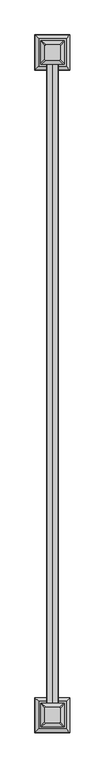
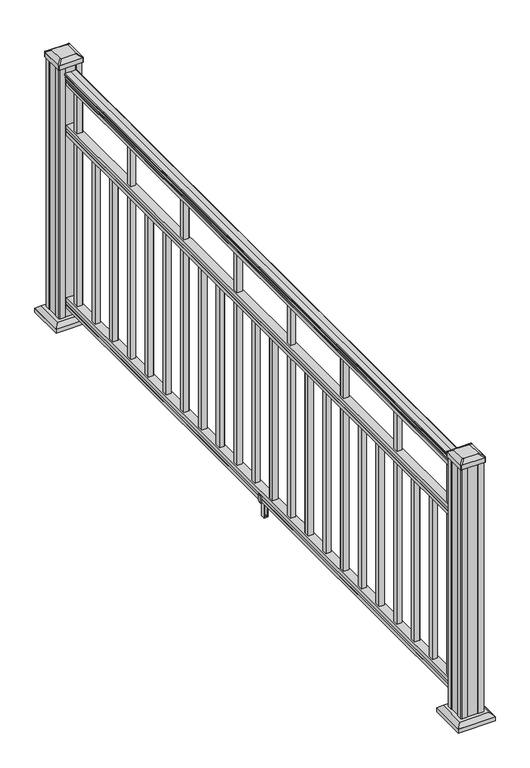
"""IFC4 building model written with IfcOpenShell, lengths in millimetres: railing geometry."""

from ifc_helpers import new_model, si_unit, point, frame, frame_2d, origin, origin_with_axes, place, context, project, spatial, polyline, circle_curve, trimmed, segment, composite_curve, outline, extrude, faceted_brep, source, transform, mapped, element, save
from ifc_brep_helpers import plane_surface, extruded_surface, advanced_brep


def railing_7993a294(model_context):
    return source(origin(), model_context, "Body", "SolidModel", [
        extrude(outline(composite_curve([segment(polyline([(938.4043297, 817.3789699), (940.292412, 817.3789699)]), True, "CONTINUOUS"), segment(trimmed(circle_curve(frame_2d((946.0506383, 811.0642167)), 8.545951), [point((940.292412, 817.3789699))], [point((941.8546695, 818.5091562))], False, "CARTESIAN"), True, "CONTINUOUS"), segment(trimmed(circle_curve(frame_2d((945.4636577, 811.5012796)), 7.882584), [point((941.8546695, 818.5091562))], [point((949.0726458, 818.5091562))], False, "CARTESIAN"), True, "CONTINUOUS"), segment(trimmed(circle_curve(frame_2d((951.3112527, 822.0146037)), 4.1592695), [point((949.0726458, 818.5091562))], [point((951.5060812, 817.8598998))], True, "CARTESIAN"), True, "CONTINUOUS"), segment(trimmed(circle_curve(frame_2d((951.2508864, 823.3019103)), 5.4479907), [point((951.5060812, 817.8598998))], [point((955.8362083, 820.3598998))], True, "CARTESIAN"), True, "CONTINUOUS"), segment(trimmed(circle_curve(frame_2d((955.833395, 822.0687519)), 1.7088543), [point((955.8362083, 820.3598998))], [point((957.5157972, 821.7692423))], True, "CARTESIAN"), True, "CONTINUOUS"), segment(trimmed(circle_curve(frame_2d((958.6205318, 820.4518518)), 1.7192895), [point((957.5157972, 821.7692423))], [point((958.6205318, 822.1711413))], False, "CARTESIAN"), True, "CONTINUOUS"), segment(polyline([(958.6205318, 822.1711413), (959.9608158, 822.1711412)]), True, "CONTINUOUS"), segment(trimmed(circle_curve(frame_2d((959.9608158, 820.617694)), 1.5534472), [point((959.9608158, 822.1711412))], [point((961.514263, 820.617694))], False, "CARTESIAN"), True, "CONTINUOUS"), segment(polyline([(961.514263, 820.617694), (961.514263, 799.9461412), (961.514263, 779.2745884)]), True, "CONTINUOUS"), segment(trimmed(circle_curve(frame_2d((959.9608158, 779.2745884)), 1.5534472), [point((961.514263, 779.2745884))], [point((959.9608158, 777.7211412))], False, "CARTESIAN"), True, "CONTINUOUS"), segment(polyline([(959.9608158, 777.7211412), (958.6205318, 777.7211412)]), True, "CONTINUOUS"), segment(trimmed(circle_curve(frame_2d((958.6205318, 779.4404306)), 1.7192895), [point((958.6205318, 777.7211412))], [point((957.5157972, 778.1230401))], False, "CARTESIAN"), True, "CONTINUOUS"), segment(trimmed(circle_curve(frame_2d((955.833395, 777.8235305)), 1.7088543), [point((957.5157972, 778.1230401))], [point((955.8362083, 779.5323826))], True, "CARTESIAN"), True, "CONTINUOUS"), segment(trimmed(circle_curve(frame_2d((951.2508864, 776.5903721)), 5.4479907), [point((955.8362083, 779.5323826))], [point((951.5060812, 782.0323826))], True, "CARTESIAN"), True, "CONTINUOUS"), segment(trimmed(circle_curve(frame_2d((951.3112527, 777.8776786)), 4.1592695), [point((951.5060812, 782.0323826))], [point((949.0726458, 781.3831262))], True, "CARTESIAN"), True, "CONTINUOUS"), segment(trimmed(circle_curve(frame_2d((945.4636577, 788.3910028)), 7.882584), [point((949.0726458, 781.3831262))], [point((941.8546695, 781.3831262))], False, "CARTESIAN"), True, "CONTINUOUS"), segment(trimmed(circle_curve(frame_2d((946.0506383, 788.8280657)), 8.545951), [point((941.8546695, 781.3831262))], [point((940.292412, 782.5133125))], False, "CARTESIAN"), True, "CONTINUOUS"), segment(polyline([(940.292412, 782.5133125), (938.4043297, 782.5133125)]), True, "CONTINUOUS"), segment(trimmed(circle_curve(frame_2d((938.4043297, 783.8002268)), 1.2869144), [point((938.4043297, 782.5133125))], [point((938.4043297, 785.0871412))], False, "CARTESIAN"), True, "CONTINUOUS"), segment(polyline([(938.4043297, 785.0871412), (927.9048283, 785.0871412), (926.8888283, 784.0711412), (914.4, 784.0711412), (914.4, 815.8211412), (926.731013, 815.8211412), (927.747013, 814.8051412), (938.4043297, 814.8051412)]), True, "CONTINUOUS"), segment(trimmed(circle_curve(frame_2d((938.4043297, 816.0920556)), 1.2869144), [point((938.4043297, 814.8051412))], [point((938.4043297, 817.3789699))], False, "CARTESIAN"), True, "CONTINUOUS")], self_intersect=False)), frame((0.0, -110257.8786705, 0.0), z_axis=(0.0, 1.0, 0.0), x_axis=(0.0, 0.0, 1.0)), (0.0, 0.0, 1.0), 2438.4),
        extrude(outline(polyline([(736.4541976, 815.8586281), (737.7546183, 814.8426281), (748.1141717, 814.8426281), (749.4624492, 815.8586281), (761.9958781, 815.8586281), (761.9958781, 784.1086281), (749.4458024, 784.1086281), (748.0975248, 785.1246281), (737.7858283, 785.1246281), (736.4375508, 784.1086281), (723.9, 784.1086281), (723.9, 815.8586281), (736.4541976, 815.8586281)])), frame((0.0, -110257.8786705, 0.0), z_axis=(0.0, 1.0, 0.0), x_axis=(0.0, 0.0, 1.0)), (0.0, 0.0, 1.0), 2438.4),
        extrude(outline(polyline([(76.0541976, 815.8586281), (77.3546183, 814.8426281), (87.7141717, 814.8426281), (89.0624492, 815.8586281), (101.5958781, 815.8586281), (101.5958781, 784.1086281), (89.0458024, 784.1086281), (87.6975248, 785.1246281), (77.3858283, 785.1246281), (76.0375508, 784.1086281), (63.5, 784.1086281), (63.5, 815.8586281), (76.0541976, 815.8586281)])), frame((0.0, -110257.8786705, 0.0), z_axis=(0.0, 1.0, 0.0), x_axis=(0.0, 0.0, 1.0)), (0.0, 0.0, 1.0), 2438.4),
        extrude(outline(polyline([(809.4711412, -107878.7876705), (790.4211412, -107878.7876705), (790.4211412, -107859.7376705), (809.4711412, -107859.7376705), (809.4711412, -107878.7876705)]), holes=[polyline([(809.0742662, -107878.3907955), (809.0742662, -107860.1345455), (790.8180162, -107860.1345455), (790.8180162, -107878.3907955), (809.0742662, -107878.3907955)])]), frame((0.0, 0.0, 101.5958781), z_axis=(0.0, 0.0, 1.0), x_axis=(1.0, 0.0, 0.0)), (0.0, 0.0, 1.0), 812.8041219),
        extrude(outline(polyline([(809.4711412, -107990.0396705), (790.4211412, -107990.0396705), (790.4211412, -107970.9896705), (809.4711412, -107970.9896705), (809.4711412, -107990.0396705)]), holes=[polyline([(809.0742662, -107989.6427955), (809.0742662, -107971.3865455), (790.8180162, -107971.3865455), (790.8180162, -107989.6427955), (809.0742662, -107989.6427955)])]), frame((0.0, 0.0, 101.5958781), z_axis=(0.0, 0.0, 1.0), x_axis=(1.0, 0.0, 0.0)), (0.0, 0.0, 1.0), 622.3041219),
        extrude(outline(polyline([(809.4711412, -108101.2916705), (790.4211412, -108101.2916705), (790.4211412, -108082.2416705), (809.4711412, -108082.2416705), (809.4711412, -108101.2916705)]), holes=[polyline([(809.0742662, -108100.8947955), (809.0742662, -108082.6385455), (790.8180162, -108082.6385455), (790.8180162, -108100.8947955), (809.0742662, -108100.8947955)])]), frame((0.0, 0.0, 101.5958781), z_axis=(0.0, 0.0, 1.0), x_axis=(1.0, 0.0, 0.0)), (0.0, 0.0, 1.0), 622.3041219),
        extrude(outline(polyline([(809.4711412, -108212.5436705), (790.4211412, -108212.5436705), (790.4211412, -108193.4936705), (809.4711412, -108193.4936705), (809.4711412, -108212.5436705)]), holes=[polyline([(809.0742662, -108212.1467955), (809.0742662, -108193.8905455), (790.8180162, -108193.8905455), (790.8180162, -108212.1467955), (809.0742662, -108212.1467955)])]), frame((0.0, 0.0, 101.5958781), z_axis=(0.0, 0.0, 1.0), x_axis=(1.0, 0.0, 0.0)), (0.0, 0.0, 1.0), 812.8041219),
        extrude(outline(polyline([(809.4711412, -108323.7956705), (790.4211412, -108323.7956705), (790.4211412, -108304.7456705), (809.4711412, -108304.7456705), (809.4711412, -108323.7956705)]), holes=[polyline([(809.0742662, -108323.3987955), (809.0742662, -108305.1425455), (790.8180162, -108305.1425455), (790.8180162, -108323.3987955), (809.0742662, -108323.3987955)])]), frame((0.0, 0.0, 101.5958781), z_axis=(0.0, 0.0, 1.0), x_axis=(1.0, 0.0, 0.0)), (0.0, 0.0, 1.0), 622.3041219),
        extrude(outline(polyline([(809.4711412, -108435.0476705), (790.4211412, -108435.0476705), (790.4211412, -108415.9976705), (809.4711412, -108415.9976705), (809.4711412, -108435.0476705)]), holes=[polyline([(809.0742662, -108434.6507955), (809.0742662, -108416.3945455), (790.8180162, -108416.3945455), (790.8180162, -108434.6507955), (809.0742662, -108434.6507955)])]), frame((0.0, 0.0, 101.5958781), z_axis=(0.0, 0.0, 1.0), x_axis=(1.0, 0.0, 0.0)), (0.0, 0.0, 1.0), 622.3041219),
        extrude(outline(polyline([(809.4711412, -108546.2996705), (790.4211412, -108546.2996705), (790.4211412, -108527.2496705), (809.4711412, -108527.2496705), (809.4711412, -108546.2996705)]), holes=[polyline([(809.0742662, -108545.9027955), (809.0742662, -108527.6465455), (790.8180162, -108527.6465455), (790.8180162, -108545.9027955), (809.0742662, -108545.9027955)])]), frame((0.0, 0.0, 101.5958781), z_axis=(0.0, 0.0, 1.0), x_axis=(1.0, 0.0, 0.0)), (0.0, 0.0, 1.0), 812.8041219),
        extrude(outline(polyline([(809.4711412, -108657.5516705), (790.4211412, -108657.5516705), (790.4211412, -108638.5016705), (809.4711412, -108638.5016705), (809.4711412, -108657.5516705)]), holes=[polyline([(809.0742662, -108657.1547955), (809.0742662, -108638.8985455), (790.8180162, -108638.8985455), (790.8180162, -108657.1547955), (809.0742662, -108657.1547955)])]), frame((0.0, 0.0, 101.5958781), z_axis=(0.0, 0.0, 1.0), x_axis=(1.0, 0.0, 0.0)), (0.0, 0.0, 1.0), 622.3041219),
        extrude(outline(polyline([(809.4711412, -108768.8036705), (790.4211412, -108768.8036705), (790.4211412, -108749.7536705), (809.4711412, -108749.7536705), (809.4711412, -108768.8036705)]), holes=[polyline([(809.0742662, -108768.4067955), (809.0742662, -108750.1505455), (790.8180162, -108750.1505455), (790.8180162, -108768.4067955), (809.0742662, -108768.4067955)])]), frame((0.0, 0.0, 101.5958781), z_axis=(0.0, 0.0, 1.0), x_axis=(1.0, 0.0, 0.0)), (0.0, 0.0, 1.0), 622.3041219),
        extrude(outline(polyline([(809.4711412, -108880.0556705), (790.4211412, -108880.0556705), (790.4211412, -108861.0056705), (809.4711412, -108861.0056705), (809.4711412, -108880.0556705)]), holes=[polyline([(809.0742662, -108879.6587955), (809.0742662, -108861.4025455), (790.8180162, -108861.4025455), (790.8180162, -108879.6587955), (809.0742662, -108879.6587955)])]), frame((0.0, 0.0, 101.5958781), z_axis=(0.0, 0.0, 1.0), x_axis=(1.0, 0.0, 0.0)), (0.0, 0.0, 1.0), 812.8041219),
        extrude(outline(polyline([(809.4711412, -108991.3076705), (790.4211412, -108991.3076705), (790.4211412, -108972.2576705), (809.4711412, -108972.2576705), (809.4711412, -108991.3076705)]), holes=[polyline([(809.0742662, -108990.9107955), (809.0742662, -108972.6545455), (790.8180162, -108972.6545455), (790.8180162, -108990.9107955), (809.0742662, -108990.9107955)])]), frame((0.0, 0.0, 101.5958781), z_axis=(0.0, 0.0, 1.0), x_axis=(1.0, 0.0, 0.0)), (0.0, 0.0, 1.0), 622.3041219),
        extrude(outline(polyline([(88.7203979, 781.7851424), (87.9583969, 781.0231413), (61.4680023, 781.0231413), (60.7060013, 781.7851424), (60.7060013, 791.8181414), (59.9440012, 792.5801415), (0.7620001, 792.5801415), (0.0, 793.3421416), (0.0, 806.5501408), (0.762001, 807.3121419), (59.9440012, 807.3121419), (60.7060013, 808.0741419), (60.7060013, 818.107141), (61.4680023, 818.869142), (87.9583969, 818.869142), (88.7203979, 818.107141), (88.7203979, 816.0751414), (87.7043953, 815.0591416), (77.2686081, 815.0591416), (76.2526073, 816.0751414), (64.262001, 816.0751414), (63.5000019, 815.3131423), (63.5000019, 784.5791411), (64.262001, 783.817142), (76.2526073, 783.817142), (77.2686081, 784.8331418), (87.7043953, 784.8331418), (88.7203979, 783.817142), (88.7203979, 781.7851424)]), holes=[polyline([(60.7060013, 803.3751416), (59.9440012, 804.1371417), (3.9370031, 804.1371417), (3.1750031, 803.3751416), (3.1750031, 796.5171389), (3.9370003, 795.7551417), (59.9440012, 795.7551417), (60.7060013, 796.5171418), (60.7060013, 803.3751416)])]), frame((0.0, -109044.7746705, 0.0), z_axis=(0.0, 1.0, 0.0), x_axis=(0.0, 0.0, 1.0)), (0.0, 0.0, 1.0), 14.732),
        extrude(outline(polyline([(809.4711412, -109102.5596705), (790.4211412, -109102.5596705), (790.4211412, -109083.5096705), (809.4711412, -109083.5096705), (809.4711412, -109102.5596705)]), holes=[polyline([(809.0742662, -109102.1627955), (809.0742662, -109083.9065455), (790.8180162, -109083.9065455), (790.8180162, -109102.1627955), (809.0742662, -109102.1627955)])]), frame((0.0, 0.0, 101.5958781), z_axis=(0.0, 0.0, 1.0), x_axis=(1.0, 0.0, 0.0)), (0.0, 0.0, 1.0), 622.3041219),
        extrude(outline(polyline([(809.4711412, -109213.8116705), (790.4211412, -109213.8116705), (790.4211412, -109194.7616705), (809.4711412, -109194.7616705), (809.4711412, -109213.8116705)]), holes=[polyline([(809.0742662, -109213.4147955), (809.0742662, -109195.1585455), (790.8180162, -109195.1585455), (790.8180162, -109213.4147955), (809.0742662, -109213.4147955)])]), frame((0.0, 0.0, 101.5958781), z_axis=(0.0, 0.0, 1.0), x_axis=(1.0, 0.0, 0.0)), (0.0, 0.0, 1.0), 812.8041219),
        extrude(outline(polyline([(809.4711412, -109325.0636705), (790.4211412, -109325.0636705), (790.4211412, -109306.0136705), (809.4711412, -109306.0136705), (809.4711412, -109325.0636705)]), holes=[polyline([(809.0742662, -109324.6667955), (809.0742662, -109306.4105455), (790.8180162, -109306.4105455), (790.8180162, -109324.6667955), (809.0742662, -109324.6667955)])]), frame((0.0, 0.0, 101.5958781), z_axis=(0.0, 0.0, 1.0), x_axis=(1.0, 0.0, 0.0)), (0.0, 0.0, 1.0), 622.3041219),
        extrude(outline(polyline([(809.4711412, -109436.3156705), (790.4211412, -109436.3156705), (790.4211412, -109417.2656705), (809.4711412, -109417.2656705), (809.4711412, -109436.3156705)]), holes=[polyline([(809.0742662, -109435.9187955), (809.0742662, -109417.6625455), (790.8180162, -109417.6625455), (790.8180162, -109435.9187955), (809.0742662, -109435.9187955)])]), frame((0.0, 0.0, 101.5958781), z_axis=(0.0, 0.0, 1.0), x_axis=(1.0, 0.0, 0.0)), (0.0, 0.0, 1.0), 622.3041219),
        extrude(outline(polyline([(809.4711412, -109547.5676705), (790.4211412, -109547.5676705), (790.4211412, -109528.5176705), (809.4711412, -109528.5176705), (809.4711412, -109547.5676705)]), holes=[polyline([(809.0742662, -109547.1707955), (809.0742662, -109528.9145455), (790.8180162, -109528.9145455), (790.8180162, -109547.1707955), (809.0742662, -109547.1707955)])]), frame((0.0, 0.0, 101.5958781), z_axis=(0.0, 0.0, 1.0), x_axis=(1.0, 0.0, 0.0)), (0.0, 0.0, 1.0), 812.8041219),
        extrude(outline(polyline([(809.4711412, -109658.8196705), (790.4211412, -109658.8196705), (790.4211412, -109639.7696705), (809.4711412, -109639.7696705), (809.4711412, -109658.8196705)]), holes=[polyline([(809.0742662, -109658.4227955), (809.0742662, -109640.1665455), (790.8180162, -109640.1665455), (790.8180162, -109658.4227955), (809.0742662, -109658.4227955)])]), frame((0.0, 0.0, 101.5958781), z_axis=(0.0, 0.0, 1.0), x_axis=(1.0, 0.0, 0.0)), (0.0, 0.0, 1.0), 622.3041219),
        extrude(outline(polyline([(809.4711412, -109770.0716705), (790.4211412, -109770.0716705), (790.4211412, -109751.0216705), (809.4711412, -109751.0216705), (809.4711412, -109770.0716705)]), holes=[polyline([(809.0742662, -109769.6747955), (809.0742662, -109751.4185455), (790.8180162, -109751.4185455), (790.8180162, -109769.6747955), (809.0742662, -109769.6747955)])]), frame((0.0, 0.0, 101.5958781), z_axis=(0.0, 0.0, 1.0), x_axis=(1.0, 0.0, 0.0)), (0.0, 0.0, 1.0), 622.3041219),
        extrude(outline(polyline([(809.4711412, -109881.3236705), (790.4211412, -109881.3236705), (790.4211412, -109862.2736705), (809.4711412, -109862.2736705), (809.4711412, -109881.3236705)]), holes=[polyline([(809.0742662, -109880.9267955), (809.0742662, -109862.6705455), (790.8180162, -109862.6705455), (790.8180162, -109880.9267955), (809.0742662, -109880.9267955)])]), frame((0.0, 0.0, 101.5958781), z_axis=(0.0, 0.0, 1.0), x_axis=(1.0, 0.0, 0.0)), (0.0, 0.0, 1.0), 812.8041219),
        extrude(outline(polyline([(809.4711412, -109992.5756705), (790.4211412, -109992.5756705), (790.4211412, -109973.5256705), (809.4711412, -109973.5256705), (809.4711412, -109992.5756705)]), holes=[polyline([(809.0742662, -109992.1787955), (809.0742662, -109973.9225455), (790.8180162, -109973.9225455), (790.8180162, -109992.1787955), (809.0742662, -109992.1787955)])]), frame((0.0, 0.0, 101.5958781), z_axis=(0.0, 0.0, 1.0), x_axis=(1.0, 0.0, 0.0)), (0.0, 0.0, 1.0), 622.3041219),
        extrude(outline(polyline([(809.4711412, -110103.8276705), (790.4211412, -110103.8276705), (790.4211412, -110084.7776705), (809.4711412, -110084.7776705), (809.4711412, -110103.8276705)]), holes=[polyline([(809.0742662, -110103.4307955), (809.0742662, -110085.1745455), (790.8180162, -110085.1745455), (790.8180162, -110103.4307955), (809.0742662, -110103.4307955)])]), frame((0.0, 0.0, 101.5958781), z_axis=(0.0, 0.0, 1.0), x_axis=(1.0, 0.0, 0.0)), (0.0, 0.0, 1.0), 622.3041219),
        extrude(outline(polyline([(809.4711412, -110215.0796705), (790.4211412, -110215.0796705), (790.4211412, -110196.0296705), (809.4711412, -110196.0296705), (809.4711412, -110215.0796705)]), holes=[polyline([(809.0742662, -110214.6827955), (809.0742662, -110196.4265455), (790.8180162, -110196.4265455), (790.8180162, -110214.6827955), (809.0742662, -110214.6827955)])]), frame((0.0, 0.0, 101.5958781), z_axis=(0.0, 0.0, 1.0), x_axis=(1.0, 0.0, 0.0)), (0.0, 0.0, 1.0), 812.8041219),
        faceted_brep([(852.5320787, -107830.662608, 28.575), (852.5320787, -107725.490733, 28.575), (747.3602037, -107725.490733, 28.575), (747.3602037, -107830.662608, 28.575), (866.5715318, -107844.7020611, 15.24), (733.3207506, -107844.7020611, 15.24), (733.3207506, -107711.4512798, 15.24), (866.5715318, -107711.4512798, 15.24)], [[[0, 1, 2, 3]], [[4, 5, 6, 7]], [[4, 0, 3, 5]], [[5, 3, 2, 6]], [[6, 2, 1, 7]], [[7, 1, 0, 4]]]),
        extrude(outline(polyline([(866.5715318, -107844.7020611), (733.3207506, -107844.7020611), (733.3207506, -107711.4512798), (866.5715318, -107711.4512798), (866.5715318, -107844.7020611)])), origin_with_axes(), (0.0, 0.0, 1.0), 15.24),
        advanced_brep(
        [(774.1492662, -107807.0485455, 1012.825), (825.7430162, -107807.0485455, 1012.825), (828.9180162, -107803.8735455, 1012.825), (828.9180162, -107752.2797955, 1012.825), (825.7430162, -107749.1047955, 1012.825), (774.1492662, -107749.1047955, 1012.825), (770.9742662, -107752.2797955, 1012.825), (770.9742662, -107803.8735455, 1012.825), (757.8773912, -107823.3204205, 1001.522), (754.7023912, -107820.1454205, 1001.522), (754.7023912, -107736.0079205, 1001.522), (757.8773912, -107732.8329205, 1001.522), (842.0148912, -107732.8329205, 1001.522), (845.1898912, -107736.0079205, 1001.522), (845.1898912, -107820.1454205, 1001.522), (842.0148912, -107823.3204205, 1001.522)],
        [
            (0, 1),
            (1, 2, circle_curve(frame((825.7430162, -107803.8735455, 1012.825), z_axis=(0.0, 0.0, 1.0), x_axis=(0.0, 1.0, 0.0)), 3.175)),
            (2, 3),
            (3, 4, circle_curve(frame((825.7430162, -107752.2797955, 1012.825), z_axis=(0.0, 0.0, 1.0), x_axis=(0.0, 1.0, 0.0)), 3.175)),
            (4, 5),
            (5, 6, circle_curve(frame((774.1492662, -107752.2797955, 1012.825), z_axis=(0.0, 0.0, 1.0), x_axis=(0.0, 1.0, 0.0)), 3.175)),
            (6, 7),
            (7, 0, circle_curve(frame((774.1492662, -107803.8735455, 1012.825), z_axis=(0.0, 0.0, 1.0), x_axis=(0.0, 1.0, 0.0)), 3.175)),
            (8, 9, circle_curve(frame((757.8773912, -107820.1454205, 1001.522), z_axis=(0.0, 0.0, -1.0), x_axis=(0.0, 1.0, 0.0)), 3.175)),
            (9, 10),
            (10, 11, circle_curve(frame((757.8773912, -107736.0079205, 1001.522), z_axis=(0.0, 0.0, -1.0), x_axis=(0.0, 1.0, 0.0)), 3.175)),
            (11, 12),
            (12, 13, circle_curve(frame((842.0148912, -107736.0079205, 1001.522), z_axis=(0.0, 0.0, -1.0), x_axis=(0.0, 1.0, 0.0)), 3.175)),
            (13, 14),
            (14, 15, circle_curve(frame((842.0148912, -107820.1454205, 1001.522), z_axis=(0.0, 0.0, -1.0), x_axis=(0.0, 1.0, 0.0)), 3.175)),
            (15, 8),
            (8, 0),
            (7, 9),
            (6, 10),
            (5, 11),
            (4, 12),
            (3, 13),
            (2, 14),
            (1, 15),
        ],
        [
            plane_surface(frame((799.9461412, -107778.0766705, 1012.825), z_axis=(0.0, 0.0, 1.0), x_axis=(-1.0, 0.0, 0.0))),
            plane_surface(frame((799.9461412, -107778.0766705, 1001.522), z_axis=(0.0, 0.0, -1.0), x_axis=(-1.0, 0.0, 0.0))),
            extruded_surface(trimmed(circle_curve(frame((774.1492662, -107803.8735455, 1012.825), z_axis=(0.0, 0.0, -1.0), x_axis=(0.0, 1.0, 0.0)), 3.175), [point((774.1492662, -107807.0485455, 1012.825))], [point((770.9742662, -107803.8735455, 1012.825))], True, "CARTESIAN"), (-16.271875000000023, -16.27187500000582, -11.302999999999997), 25.637972638869872),
            plane_surface(frame((754.7023912, -107778.0766705, 1001.522), z_axis=(-0.5705009161540779, 0.0, 0.8212969649690408), x_axis=(0.0, 1.0, 0.0))),
            extruded_surface(trimmed(circle_curve(frame((774.1492662, -107752.2797955, 1012.825), z_axis=(0.0, 0.0, -1.0), x_axis=(0.0, 1.0, 0.0)), 3.175), [point((770.9742662, -107752.2797955, 1012.825))], [point((774.1492662, -107749.1047955, 1012.825))], True, "CARTESIAN"), (-16.271875000000023, 16.27187500000582, -11.302999999999997), 25.637972638869872),
            plane_surface(frame((799.9461412, -107732.8329205, 1001.522), z_axis=(0.0, 0.5705009161540291, 0.8212969649690747), x_axis=(1.0, 0.0, 0.0))),
            extruded_surface(trimmed(circle_curve(frame((825.7430162, -107752.2797955, 1012.825), z_axis=(0.0, 0.0, -1.0), x_axis=(0.0, 1.0, 0.0)), 3.175), [point((825.7430162, -107749.1047955, 1012.825))], [point((828.9180162, -107752.2797955, 1012.825))], True, "CARTESIAN"), (16.27187499999991, 16.27187500000582, -11.302999999999997), 25.637972638869797),
            plane_surface(frame((845.1898912, -107778.0766705, 1001.522), z_axis=(0.5705009161540141, 0.0, 0.8212969649690851), x_axis=(0.0, -1.0, 0.0))),
            extruded_surface(trimmed(circle_curve(frame((825.7430162, -107803.8735455, 1012.825), z_axis=(0.0, 0.0, -1.0), x_axis=(0.0, 1.0, 0.0)), 3.175), [point((828.9180162, -107803.8735455, 1012.825))], [point((825.7430162, -107807.0485455, 1012.825))], True, "CARTESIAN"), (16.27187499999991, -16.27187500000582, -11.302999999999997), 25.637972638869797),
            plane_surface(frame((799.9461412, -107823.3204205, 1001.522), z_axis=(0.0, -0.570500916154034, 0.8212969649690713), x_axis=(-1.0, 0.0, 0.0))),
        ],
        [
            (0, [[1, 2, 3, 4, 5, 6, 7, 8]]),
            (1, [[9, 10, 11, 12, 13, 14, 15, 16]]),
            (2, [[17, -8, 18, -9]]),
            (3, [[-18, -7, 19, -10]]),
            (4, [[-19, -6, 20, -11]]),
            (5, [[-20, -5, 21, -12]]),
            (6, [[-21, -4, 22, -13]]),
            (7, [[-22, -3, 23, -14]]),
            (8, [[-23, -2, 24, -15]]),
            (9, [[-24, -1, -17, -16]]),
        ],
    ),
        extrude(outline(composite_curve([segment(trimmed(circle_curve(frame_2d((757.8773912, -107820.1454205)), 3.175), [point((757.8773912, -107823.3204205))], [point((754.7023912, -107820.1454205))], False, "CARTESIAN"), True, "CONTINUOUS"), segment(polyline([(754.7023912, -107820.1454205), (754.7023912, -107736.0079205)]), True, "CONTINUOUS"), segment(trimmed(circle_curve(frame_2d((757.8773912, -107736.0079205)), 3.175), [point((754.7023912, -107736.0079205))], [point((757.8773912, -107732.8329205))], False, "CARTESIAN"), True, "CONTINUOUS"), segment(polyline([(757.8773912, -107732.8329205), (842.0148912, -107732.8329205)]), True, "CONTINUOUS"), segment(trimmed(circle_curve(frame_2d((842.0148912, -107736.0079205)), 3.175), [point((842.0148912, -107732.8329205))], [point((845.1898912, -107736.0079205))], False, "CARTESIAN"), True, "CONTINUOUS"), segment(polyline([(845.1898912, -107736.0079205), (845.1898912, -107820.1454205)]), True, "CONTINUOUS"), segment(trimmed(circle_curve(frame_2d((842.0148912, -107820.1454205)), 3.175), [point((845.1898912, -107820.1454205))], [point((842.0148912, -107823.3204205))], False, "CARTESIAN"), True, "CONTINUOUS"), segment(polyline([(842.0148912, -107823.3204205), (757.8773912, -107823.3204205)]), True, "CONTINUOUS")], self_intersect=False)), frame((0.0, 0.0, 984.25), z_axis=(0.0, 0.0, 1.0), x_axis=(1.0, 0.0, 0.0)), (0.0, 0.0, 1.0), 17.272),
        extrude(outline(polyline([(760.2586412, -107819.3516705), (758.6711412, -107817.7641705), (758.6711412, -107798.1426705), (760.2586412, -107797.3806705), (760.2586412, -107758.7726705), (758.6711412, -107758.0106705), (758.6711412, -107738.3891705), (760.2586412, -107736.8016705), (779.8801412, -107736.8016705), (780.6421412, -107738.3891705), (819.2501412, -107738.3891705), (820.0121412, -107736.8016705), (839.6336412, -107736.8016705), (841.2211412, -107738.3891705), (841.2211412, -107758.0106705), (839.6336412, -107758.7726705), (839.6336412, -107797.3806705), (841.2211412, -107798.1426705), (841.2211412, -107817.7641705), (839.6336412, -107819.3516705), (820.0121412, -107819.3516705), (819.2501412, -107817.7641705), (780.6421412, -107817.7641705), (779.8801412, -107819.3516705), (760.2586412, -107819.3516705)])), origin_with_axes(), (0.0, 0.0, 1.0), 984.25),
        faceted_brep([(852.5320787, -110351.866608, 28.575), (852.5320787, -110246.694733, 28.575), (747.3602037, -110246.694733, 28.575), (747.3602037, -110351.866608, 28.575), (866.5715318, -110365.9060611, 15.24), (733.3207506, -110365.9060611, 15.24), (733.3207506, -110232.6552798, 15.24), (866.5715318, -110232.6552798, 15.24)], [[[0, 1, 2, 3]], [[4, 5, 6, 7]], [[4, 0, 3, 5]], [[5, 3, 2, 6]], [[6, 2, 1, 7]], [[7, 1, 0, 4]]]),
        extrude(outline(polyline([(866.5715318, -110365.9060611), (733.3207506, -110365.9060611), (733.3207506, -110232.6552798), (866.5715318, -110232.6552798), (866.5715318, -110365.9060611)])), origin_with_axes(), (0.0, 0.0, 1.0), 15.24),
        advanced_brep(
        [(774.1492662, -110328.2525455, 1012.825), (825.7430162, -110328.2525455, 1012.825), (828.9180162, -110325.0775455, 1012.825), (828.9180162, -110273.4837955, 1012.825), (825.7430162, -110270.3087955, 1012.825), (774.1492662, -110270.3087955, 1012.825), (770.9742662, -110273.4837955, 1012.825), (770.9742662, -110325.0775455, 1012.825), (757.8773912, -110344.5244205, 1001.522), (754.7023912, -110341.3494205, 1001.522), (754.7023912, -110257.2119205, 1001.522), (757.8773912, -110254.0369205, 1001.522), (842.0148912, -110254.0369205, 1001.522), (845.1898912, -110257.2119205, 1001.522), (845.1898912, -110341.3494205, 1001.522), (842.0148912, -110344.5244205, 1001.522)],
        [
            (0, 1),
            (1, 2, circle_curve(frame((825.7430162, -110325.0775455, 1012.825), z_axis=(0.0, 0.0, 1.0), x_axis=(0.0, 1.0, 0.0)), 3.175)),
            (2, 3),
            (3, 4, circle_curve(frame((825.7430162, -110273.4837955, 1012.825), z_axis=(0.0, 0.0, 1.0), x_axis=(0.0, 1.0, 0.0)), 3.175)),
            (4, 5),
            (5, 6, circle_curve(frame((774.1492662, -110273.4837955, 1012.825), z_axis=(0.0, 0.0, 1.0), x_axis=(0.0, 1.0, 0.0)), 3.175)),
            (6, 7),
            (7, 0, circle_curve(frame((774.1492662, -110325.0775455, 1012.825), z_axis=(0.0, 0.0, 1.0), x_axis=(0.0, 1.0, 0.0)), 3.175)),
            (8, 9, circle_curve(frame((757.8773912, -110341.3494205, 1001.522), z_axis=(0.0, 0.0, -1.0), x_axis=(0.0, 1.0, 0.0)), 3.175)),
            (9, 10),
            (10, 11, circle_curve(frame((757.8773912, -110257.2119205, 1001.522), z_axis=(0.0, 0.0, -1.0), x_axis=(0.0, 1.0, 0.0)), 3.175)),
            (11, 12),
            (12, 13, circle_curve(frame((842.0148912, -110257.2119205, 1001.522), z_axis=(0.0, 0.0, -1.0), x_axis=(0.0, 1.0, 0.0)), 3.175)),
            (13, 14),
            (14, 15, circle_curve(frame((842.0148912, -110341.3494205, 1001.522), z_axis=(0.0, 0.0, -1.0), x_axis=(0.0, 1.0, 0.0)), 3.175)),
            (15, 8),
            (8, 0),
            (7, 9),
            (6, 10),
            (5, 11),
            (4, 12),
            (3, 13),
            (2, 14),
            (1, 15),
        ],
        [
            plane_surface(frame((799.9461412, -110299.2806705, 1012.825), z_axis=(0.0, 0.0, 1.0), x_axis=(-1.0, 0.0, 0.0))),
            plane_surface(frame((799.9461412, -110299.2806705, 1001.522), z_axis=(0.0, 0.0, -1.0), x_axis=(-1.0, 0.0, 0.0))),
            extruded_surface(trimmed(circle_curve(frame((774.1492662, -110325.0775455, 1012.825), z_axis=(0.0, 0.0, -1.0), x_axis=(0.0, 1.0, 0.0)), 3.175), [point((774.1492662, -110328.2525455, 1012.825))], [point((770.9742662, -110325.0775455, 1012.825))], True, "CARTESIAN"), (-16.271875000000023, -16.27187500000582, -11.302999999999997), 25.637972638869872),
            plane_surface(frame((754.7023912, -110299.2806705, 1001.522), z_axis=(-0.5705009161540779, 0.0, 0.8212969649690408), x_axis=(0.0, 1.0, 0.0))),
            extruded_surface(trimmed(circle_curve(frame((774.1492662, -110273.4837955, 1012.825), z_axis=(0.0, 0.0, -1.0), x_axis=(0.0, 1.0, 0.0)), 3.175), [point((770.9742662, -110273.4837955, 1012.825))], [point((774.1492662, -110270.3087955, 1012.825))], True, "CARTESIAN"), (-16.271875000000023, 16.27187499999127, -11.302999999999997), 25.637972638860635),
            plane_surface(frame((799.9461412, -110254.0369205, 1001.522), z_axis=(0.0, 0.5705009161540291, 0.8212969649690747), x_axis=(1.0, 0.0, 0.0))),
            extruded_surface(trimmed(circle_curve(frame((825.7430162, -110273.4837955, 1012.825), z_axis=(0.0, 0.0, -1.0), x_axis=(0.0, 1.0, 0.0)), 3.175), [point((825.7430162, -110270.3087955, 1012.825))], [point((828.9180162, -110273.4837955, 1012.825))], True, "CARTESIAN"), (16.27187499999991, 16.27187499999127, -11.302999999999997), 25.63797263886056),
            plane_surface(frame((845.1898912, -110299.2806705, 1001.522), z_axis=(0.5705009161540141, 0.0, 0.8212969649690851), x_axis=(0.0, -1.0, 0.0))),
            extruded_surface(trimmed(circle_curve(frame((825.7430162, -110325.0775455, 1012.825), z_axis=(0.0, 0.0, -1.0), x_axis=(0.0, 1.0, 0.0)), 3.175), [point((828.9180162, -110325.0775455, 1012.825))], [point((825.7430162, -110328.2525455, 1012.825))], True, "CARTESIAN"), (16.27187499999991, -16.27187500000582, -11.302999999999997), 25.637972638869797),
            plane_surface(frame((799.9461412, -110344.5244205, 1001.522), z_axis=(0.0, -0.570500916154034, 0.8212969649690713), x_axis=(-1.0, 0.0, 0.0))),
        ],
        [
            (0, [[1, 2, 3, 4, 5, 6, 7, 8]]),
            (1, [[9, 10, 11, 12, 13, 14, 15, 16]]),
            (2, [[17, -8, 18, -9]]),
            (3, [[-18, -7, 19, -10]]),
            (4, [[-19, -6, 20, -11]]),
            (5, [[-20, -5, 21, -12]]),
            (6, [[-21, -4, 22, -13]]),
            (7, [[-22, -3, 23, -14]]),
            (8, [[-23, -2, 24, -15]]),
            (9, [[-24, -1, -17, -16]]),
        ],
    ),
        extrude(outline(composite_curve([segment(trimmed(circle_curve(frame_2d((757.8773912, -110341.3494205)), 3.175), [point((757.8773912, -110344.5244205))], [point((754.7023912, -110341.3494205))], False, "CARTESIAN"), True, "CONTINUOUS"), segment(polyline([(754.7023912, -110341.3494205), (754.7023912, -110257.2119205)]), True, "CONTINUOUS"), segment(trimmed(circle_curve(frame_2d((757.8773912, -110257.2119205)), 3.175), [point((754.7023912, -110257.2119205))], [point((757.8773912, -110254.0369205))], False, "CARTESIAN"), True, "CONTINUOUS"), segment(polyline([(757.8773912, -110254.0369205), (842.0148912, -110254.0369205)]), True, "CONTINUOUS"), segment(trimmed(circle_curve(frame_2d((842.0148912, -110257.2119205)), 3.175), [point((842.0148912, -110254.0369205))], [point((845.1898912, -110257.2119205))], False, "CARTESIAN"), True, "CONTINUOUS"), segment(polyline([(845.1898912, -110257.2119205), (845.1898912, -110341.3494205)]), True, "CONTINUOUS"), segment(trimmed(circle_curve(frame_2d((842.0148912, -110341.3494205)), 3.175), [point((845.1898912, -110341.3494205))], [point((842.0148912, -110344.5244205))], False, "CARTESIAN"), True, "CONTINUOUS"), segment(polyline([(842.0148912, -110344.5244205), (757.8773912, -110344.5244205)]), True, "CONTINUOUS")], self_intersect=False)), frame((0.0, 0.0, 984.25), z_axis=(0.0, 0.0, 1.0), x_axis=(1.0, 0.0, 0.0)), (0.0, 0.0, 1.0), 17.272),
        extrude(outline(polyline([(760.2586412, -110340.5556705), (758.6711412, -110338.9681705), (758.6711412, -110319.3466705), (760.2586412, -110318.5846705), (760.2586412, -110279.9766705), (758.6711412, -110279.2146705), (758.6711412, -110259.5931705), (760.2586412, -110258.0056705), (779.8801412, -110258.0056705), (780.6421412, -110259.5931705), (819.2501412, -110259.5931705), (820.0121412, -110258.0056705), (839.6336412, -110258.0056705), (841.2211412, -110259.5931705), (841.2211412, -110279.2146705), (839.6336412, -110279.9766705), (839.6336412, -110318.5846705), (841.2211412, -110319.3466705), (841.2211412, -110338.9681705), (839.6336412, -110340.5556705), (820.0121412, -110340.5556705), (819.2501412, -110338.9681705), (780.6421412, -110338.9681705), (779.8801412, -110340.5556705), (760.2586412, -110340.5556705)])), origin_with_axes(), (0.0, 0.0, 1.0), 984.25),
    ])


if __name__ == "__main__":
    model = new_model("IFC4")
    model_context = context("Model", 3, world=origin())
    ifc_project = project(units=[si_unit("LENGTHUNIT", "METRE", prefix="MILLI")], contexts=[model_context])
    site = spatial("IfcSite", under=ifc_project)
    building = spatial("IfcBuilding", under=site)
    placement = place(None, origin())
    railing_shape = railing_7993a294(model_context)
    element("IfcRailing", 1, at=placement, inside=building, context=model_context, shape_type="MappedRepresentation", body=[
        mapped(railing_shape, transform((0.0, 0.0, 0.0), x_axis=(1.0, 0.0, 0.0), y_axis=(0.0, 1.0, 0.0), z_axis=(0.0, 0.0, 1.0))),
    ])
    save(model, "model.ifc")
